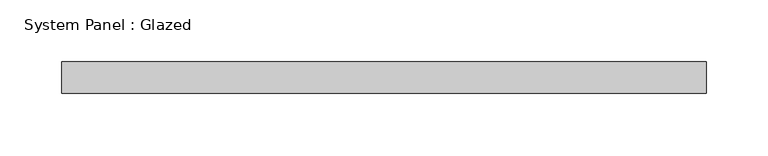
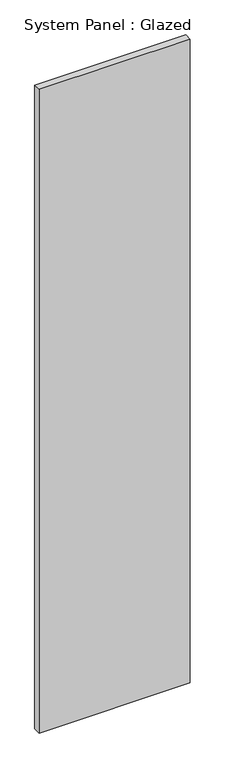
"""IFC4 building model written with IfcOpenShell, lengths in millimetres: plate geometry, System Panel : Glazed."""

from ifc_helpers import new_model, si_unit, origin, origin_with_axes, place, context, project, spatial, polyline, outline, extrude, source, transform, mapped, element, save


def system_panel_glazed_6707af48(model_context):
    return source(origin(), model_context, "Body", "SweptSolid", [
        extrude(outline(polyline([(260.35, 19.05), (-260.35, 19.05), (-260.35, 44.45), (260.35, 44.45), (260.35, 19.05)])), origin_with_axes(), (0.0, 0.0, 1.0), 2343.15),
    ])


if __name__ == "__main__":
    model = new_model("IFC4")
    model_context = context("Model", 3, world=origin())
    ifc_project = project(units=[si_unit("LENGTHUNIT", "METRE", prefix="MILLI")], contexts=[model_context])
    site = spatial("IfcSite", under=ifc_project)
    building = spatial("IfcBuilding", under=site)
    placement = place(None, origin())
    system_panel_glazed_shape = system_panel_glazed_6707af48(model_context)
    element("IfcPlate", 1, ObjectType="System Panel : Glazed", at=placement, inside=building, context=model_context, shape_type="MappedRepresentation", body=[
        mapped(system_panel_glazed_shape, transform((0.0, 0.0, 0.0), x_axis=(1.0, 0.0, 0.0), y_axis=(0.0, 1.0, 0.0), z_axis=(0.0, 0.0, 1.0))),
    ])
    save(model, "model.ifc")
